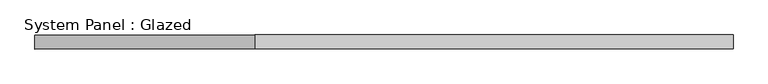
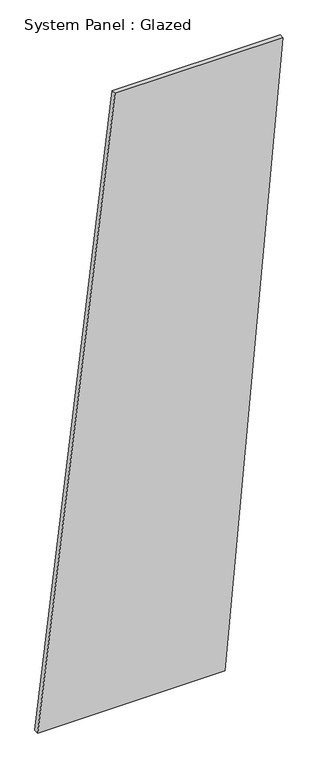
"""IFC4 building model written with IfcOpenShell, lengths in millimetres: plate geometry, System Panel : Glazed."""

from ifc_helpers import new_model, si_unit, frame, origin, place, context, project, spatial, polyline, outline, extrude, source, transform, mapped, element, save


def system_panel_glazed_5e8ce946(model_context):
    return source(origin(), model_context, "Body", "SweptSolid", [
        extrude(outline(polyline([(0.0, -632.0820484), (0.0, 333.6919674), (3338.8114299, 632.0820484), (3338.8114299, -234.2286071), (0.0, -632.0820484)])), frame((0.0, -49.5, 0.0), z_axis=(0.0, 1.0, 0.0), x_axis=(0.0, 0.0, 1.0)), (0.0, 0.0, 1.0), 25.0),
    ])


if __name__ == "__main__":
    model = new_model("IFC4")
    model_context = context("Model", 3, world=origin())
    ifc_project = project(units=[si_unit("LENGTHUNIT", "METRE", prefix="MILLI")], contexts=[model_context])
    site = spatial("IfcSite", under=ifc_project)
    building = spatial("IfcBuilding", under=site)
    placement = place(None, origin())
    system_panel_glazed_shape = system_panel_glazed_5e8ce946(model_context)
    element("IfcPlate", 1, ObjectType="System Panel : Glazed", at=placement, inside=building, context=model_context, shape_type="MappedRepresentation", body=[
        mapped(system_panel_glazed_shape, transform((0.0, 0.0, 0.0), x_axis=(1.0, 0.0, 0.0), y_axis=(0.0, 1.0, 0.0), z_axis=(0.0, 0.0, 1.0))),
    ])
    save(model, "model.ifc")
